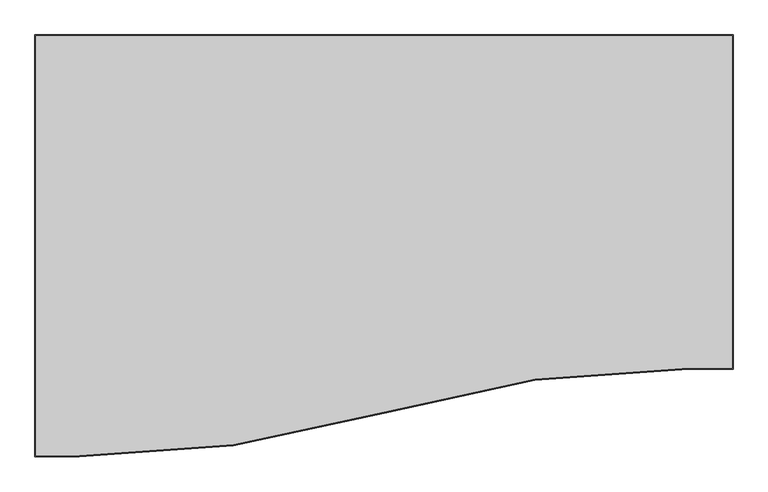
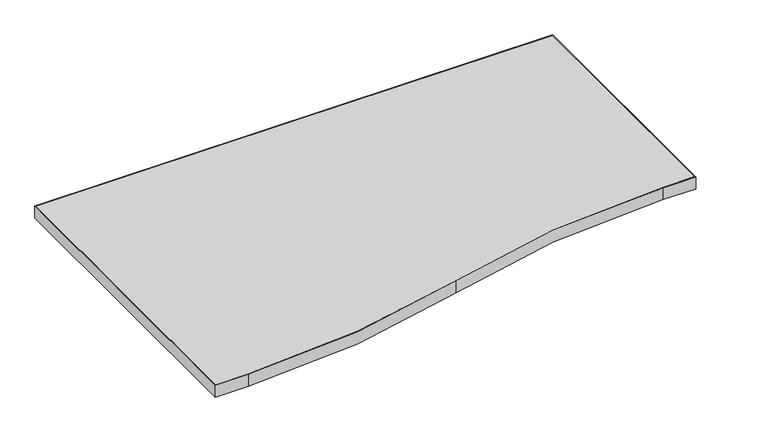
"""IFC4 building model written with IfcOpenShell, lengths in millimetres: furniture geometry."""

from ifc_helpers import new_model, si_unit, point, frame, frame_2d, origin, place, context, project, spatial, polyline, circle_curve, trimmed, segment, composite_curve, outline, extrude, source, transform, mapped, element, save


def furniture_81661663(model_context):
    return source(origin(), model_context, "Body", "SweptSolid", [
        extrude(outline(composite_curve([segment(polyline([(-464.1484004, 49.2916812), (-464.1484004, 782.6912812), (752.0035996, 782.6912812), (752.0035996, 201.6916933), (675.8036355, 201.6916933)]), True, "CONTINUOUS"), segment(trimmed(circle_curve(frame_2d((675.8036355, -1692.6706174)), 1894.3623108), [point((675.8036355, 201.6916933))], [point((143.9275996, 125.4923145))], True, "CARTESIAN"), True, "CONTINUOUS"), segment(trimmed(circle_curve(frame_2d((-387.9571923, 1943.6851783)), 1894.3934971), [point((143.9275996, 125.4923145))], [point((-387.9571923, 49.2916812))], False, "CARTESIAN"), True, "CONTINUOUS"), segment(polyline([(-387.9571923, 49.2916812), (-464.1484004, 49.2916812)]), True, "CONTINUOUS")], self_intersect=False)), frame((0.0, 0.0, 707.009), z_axis=(0.0, 0.0, 1.0), x_axis=(1.0, 0.0, 0.0)), (0.0, 0.0, 1.0), 29.591),
        extrude(outline(composite_curve([segment(polyline([(753.5910996, 784.2787812), (753.5910996, 200.1041933), (675.8036355, 200.1041933)]), True, "CONTINUOUS"), segment(trimmed(circle_curve(frame_2d((675.8036355, -1692.6706174)), 1892.7748108), [point((675.8036355, 200.1041933))], [point((144.3733186, 123.9686705))], True, "CARTESIAN"), True, "CONTINUOUS"), segment(trimmed(circle_curve(frame_2d((-387.9571923, 1943.6851783)), 1895.9809971), [point((144.3733186, 123.9686705))], [point((-387.9571923, 47.7041812))], False, "CARTESIAN"), True, "CONTINUOUS"), segment(polyline([(-387.9571923, 47.7041812), (-465.7359004, 47.7041812), (-465.7359004, 784.2787812), (753.5910996, 784.2787812)]), True, "CONTINUOUS")], self_intersect=False), holes=[composite_curve([segment(trimmed(circle_curve(frame_2d((675.8036355, -1692.6706174)), 1894.3623108), [point((143.9275996, 125.4923145))], [point((675.8036355, 201.6916933))], False, "CARTESIAN"), True, "CONTINUOUS"), segment(polyline([(675.8036355, 201.6916933), (752.0035996, 201.6916933), (752.0035996, 782.6912812), (-464.1484004, 782.6912812), (-464.1484004, 49.2916812), (-387.9571923, 49.2916812)]), True, "CONTINUOUS"), segment(trimmed(circle_curve(frame_2d((-387.9571923, 1943.6851783)), 1894.3934971), [point((-387.9571923, 49.2916812))], [point((143.9275996, 125.4923145))], True, "CARTESIAN"), True, "CONTINUOUS")], self_intersect=False)]), frame((0.0, 0.0, 707.009), z_axis=(0.0, 0.0, 1.0), x_axis=(1.0, 0.0, 0.0)), (0.0, 0.0, 1.0), 29.591),
    ])


if __name__ == "__main__":
    model = new_model("IFC4")
    model_context = context("Model", 3, world=origin())
    ifc_project = project(units=[si_unit("LENGTHUNIT", "METRE", prefix="MILLI")], contexts=[model_context])
    site = spatial("IfcSite", under=ifc_project)
    building = spatial("IfcBuilding", under=site)
    placement = place(None, origin())
    furniture_shape = furniture_81661663(model_context)
    element("IfcFurniture", 1, at=placement, inside=building, context=model_context, shape_type="MappedRepresentation", body=[
        mapped(furniture_shape, transform((0.0, 0.0, 0.0), x_axis=(1.0, 0.0, 0.0), y_axis=(0.0, 1.0, 0.0), z_axis=(0.0, 0.0, 1.0))),
    ])
    save(model, "model.ifc")
